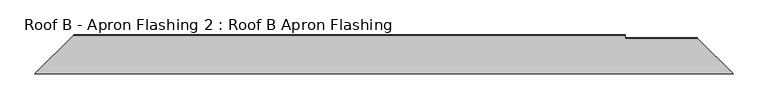
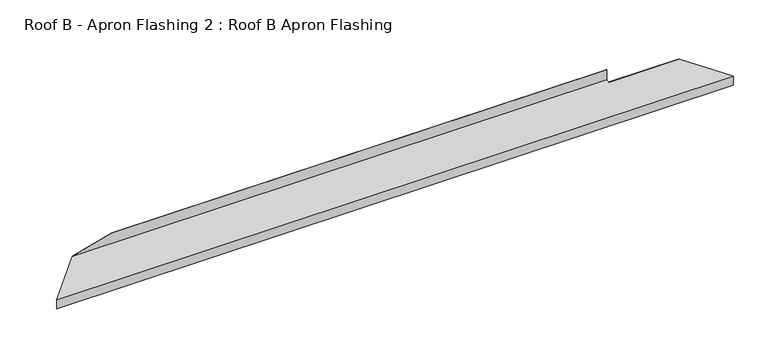
"""IFC4 building model written with IfcOpenShell, lengths in millimetres: proxy geometry, Roof B - Apron Flashing 2 : Roof B Apron Flashing."""

from ifc_helpers import new_model, si_unit, origin, place, context, project, spatial, faceted_brep, source, transform, mapped, element, save


def roof_b_apron_flashing_2_roof_b_apron_flashing_e0da7f9e(model_context):
    return source(origin(), model_context, "Body", "Brep", [
        faceted_brep([(162.5949249, -3905.5534225, 3496.9088838), (366.3429069, -3701.8054406, 3551.5029911), (3270.0, -3701.8054406, 3551.5029911), (3270.0, -3717.1696487, 3547.3861639), (3649.0213013, -3717.1696487, 3547.3861639), (3837.4050751, -3905.5534225, 3496.9088838), (366.3429069, -3701.8054406, 3553.7462723), (580.5163547, -3701.8054406, 3611.1338746), (3270.0, -3701.8054406, 3611.1338746), (3270.0, -3702.8054406, 3611.1338746), (580.5163547, -3702.8054406, 3611.1338746), (365.3429069, -3702.8054406, 3552.270318), (3270.0, -3702.8054406, 3552.270318), (365.3429069, -3702.8054406, 3553.4783231), (161.5949249, -3906.5534225, 3497.6762108), (3838.4050751, -3906.5534225, 3497.6762108), (3652.8850046, -3721.033352, 3547.3861639), (3270.0, -3721.033352, 3547.3861639), (161.5949249, -3906.5534225, 3446.4262108), (3838.4050751, -3906.5534225, 3446.4262108), (162.5949249, -3905.5534225, 3446.4262108), (3837.4050751, -3905.5534225, 3446.4262108)], [[[0, 1, 2, 3, 4, 5]], [[2, 1, 6, 7, 8]], [[9, 8, 7, 10]], [[11, 12, 9, 10, 13]], [[11, 14, 15, 16, 17, 12]], [[14, 18, 19, 15]], [[18, 20, 21, 19]], [[20, 0, 5, 21]], [[1, 0, 20, 18, 14, 11, 13, 6]], [[15, 19, 21, 5, 4, 16]], [[3, 17, 16, 4]], [[17, 3, 2, 8, 9, 12]], [[7, 6, 13, 10]]]),
    ])


if __name__ == "__main__":
    model = new_model("IFC4")
    model_context = context("Model", 3, world=origin())
    ifc_project = project(units=[si_unit("LENGTHUNIT", "METRE", prefix="MILLI")], contexts=[model_context])
    site = spatial("IfcSite", under=ifc_project)
    building = spatial("IfcBuilding", under=site)
    placement = place(None, origin())
    roof_b_apron_flashing_2_roof_b_apron_flashing_shape = roof_b_apron_flashing_2_roof_b_apron_flashing_e0da7f9e(model_context)
    element("IfcBuildingElementProxy", 1, Name="Roof B - Apron Flashing 2 : Roof B Apron Flashing", ObjectType="Roof B - Apron Flashing 2 : Roof B Apron Flashing", at=placement, inside=building, context=model_context, shape_type="MappedRepresentation", body=[
        mapped(roof_b_apron_flashing_2_roof_b_apron_flashing_shape, transform((0.0, 0.0, 0.0), x_axis=(1.0, 0.0, 0.0), y_axis=(0.0, 1.0, 0.0), z_axis=(0.0, 0.0, 1.0))),
    ])
    save(model, "model.ifc")
